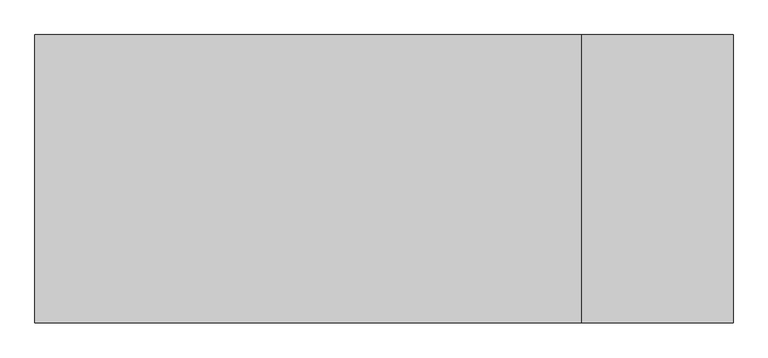
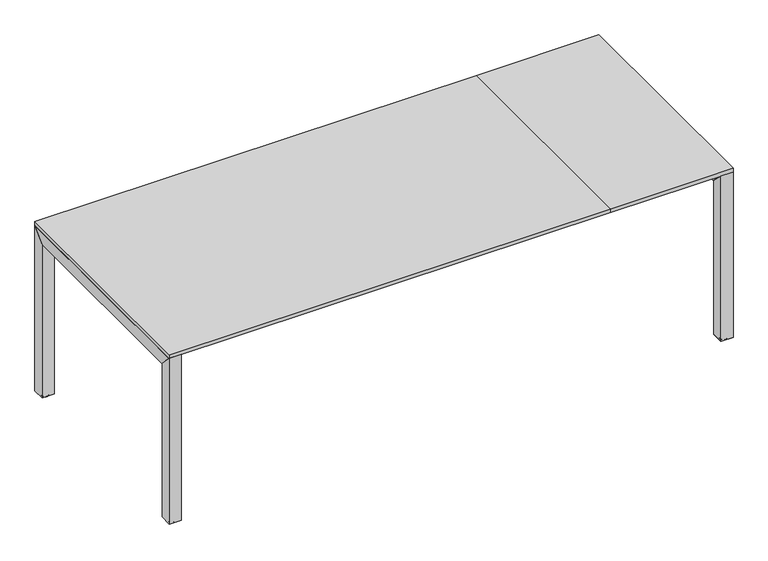
"""IFC4 building model written with IfcOpenShell, lengths in millimetres: furniture geometry."""

from ifc_helpers import new_model, si_unit, point, frame, origin, place, context, project, spatial, polyline, circle_curve, ellipse_curve, trimmed, outline, extrude, faceted_brep, source, transform, mapped, element, save
from ifc_brep_helpers import plane_surface, cylinder_surface, revolved_surface, advanced_brep


def furniture_c9011af7(model_context):
    return source(origin(), model_context, "Body", "SolidModel", [
        advanced_brep(
        [(-1266.0653804, 155.2687122, 4.1000279), (-1297.2550479, 155.2687122, 4.1000279), (-1281.6602141, 155.2687122, 4.1000279), (-1266.0653804, 155.2687122, 1.8535082), (-1297.2550479, 155.2687122, 1.8535082), (-1281.6602141, 155.2687122, 0.0), (-1295.4015396, 155.2687122, 0.0), (-1267.9188886, 155.2687122, 0.0)],
        [
            (0, 1, circle_curve(frame((-1281.6602141, 155.2687122, 4.1000279), z_axis=(0.0, 0.0, 1.0), x_axis=(-1.0, 0.0, 0.0)), 15.5948337)),
            (1, 2),
            (2, 0),
            (1, 0, circle_curve(frame((-1281.6602141, 155.2687122, 4.1000279), z_axis=(0.0, 0.0, 1.0), x_axis=(-1.0, 0.0, 0.0)), 15.5948337)),
            (3, 4, circle_curve(frame((-1281.6602141, 155.2687122, 1.8535082), z_axis=(0.0, 0.0, 1.0), x_axis=(-1.0, 0.0, 0.0)), 15.5948337)),
            (4, 1),
            (0, 3),
            (4, 3, circle_curve(frame((-1281.6602141, 155.2687122, 1.8535082), z_axis=(0.0, 0.0, 1.0), x_axis=(-1.0, 0.0, 0.0)), 15.5948337)),
            (5, 6),
            (6, 7, circle_curve(frame((-1281.6602141, 155.2687122, 0.0), z_axis=(0.0, 0.0, -1.0), x_axis=(-1.0, 0.0, 0.0)), 13.7413255)),
            (7, 5),
            (7, 6, circle_curve(frame((-1281.6602141, 155.2687122, 0.0), z_axis=(0.0, 0.0, -1.0), x_axis=(-1.0, 0.0, 0.0)), 13.7413255)),
            (6, 4, circle_curve(frame((-1295.4015396, 155.2687122, 1.8535082), z_axis=(0.0, 1.0, 0.0), x_axis=(1.0, 0.0, 0.0)), 1.8535082)),
            (3, 7, circle_curve(frame((-1267.9188886, 155.2687122, 1.8535082), z_axis=(0.0, 1.0, 0.0), x_axis=(-1.0, 0.0, 0.0)), 1.8535082)),
        ],
        [
            plane_surface(frame((-1281.6602141, 155.2687122, 4.1000279), z_axis=(0.0, 0.0, 1.0), x_axis=(-1.0, 0.0, 0.0))),
            cylinder_surface(frame((-1281.6602141, 155.2687122, 7.8640452), z_axis=(0.0, 0.0, -1.0), x_axis=(-1.0, 0.0, 0.0)), 15.5948337),
            plane_surface(frame((-1281.6602141, 155.2687122, 0.0), z_axis=(0.0, 0.0, -1.0), x_axis=(-1.0, 0.0, 0.0))),
            revolved_surface(trimmed(ellipse_curve(frame((-1295.4015396, 155.2687122, 1.8535082), z_axis=(0.0, -1.0, 0.0), x_axis=(1.0, 0.0, 0.0)), 1.8535082, 1.8535082), [point((-1297.2550479, 155.2687122, 1.8535082))], [point((-1295.4015396, 155.2687122, 0.0))], True, "CARTESIAN"), (-1281.6602141, 155.2687122, 7.8640452), (0.0, 0.0, -1.0)),
        ],
        [
            (0, [[1, 2, 3]]),
            (0, [[4, -3, -2]]),
            (1, [[5, 6, -1, 7]]),
            (1, [[8, -7, -4, -6]]),
            (2, [[9, 10, 11]]),
            (2, [[-11, 12, -9]]),
            (3, [[-10, 13, -5, 14]]),
            (3, [[-12, -14, -8, -13]]),
        ],
    ),
        advanced_brep(
        [(-1281.6602141, -739.4687122, 4.1000279), (-1297.2550479, -739.4687122, 4.1000279), (-1266.0653804, -739.4687122, 4.1000279), (-1297.2550479, -739.4687122, 1.8535082), (-1266.0653804, -739.4687122, 1.8535082), (-1267.9188886, -739.4687122, 0.0), (-1295.4015396, -739.4687122, 0.0), (-1281.6602141, -739.4687122, 0.0)],
        [
            (0, 1),
            (1, 2, circle_curve(frame((-1281.6602141, -739.4687122, 4.1000279), z_axis=(0.0, 0.0, 1.0), x_axis=(-1.0, 0.0, 0.0)), 15.5948337)),
            (2, 0),
            (2, 1, circle_curve(frame((-1281.6602141, -739.4687122, 4.1000279), z_axis=(0.0, 0.0, 1.0), x_axis=(-1.0, 0.0, 0.0)), 15.5948337)),
            (1, 3),
            (3, 4, circle_curve(frame((-1281.6602141, -739.4687122, 1.8535082), z_axis=(0.0, 0.0, 1.0), x_axis=(-1.0, 0.0, 0.0)), 15.5948337)),
            (4, 2),
            (4, 3, circle_curve(frame((-1281.6602141, -739.4687122, 1.8535082), z_axis=(0.0, 0.0, 1.0), x_axis=(-1.0, 0.0, 0.0)), 15.5948337)),
            (5, 6, circle_curve(frame((-1281.6602141, -739.4687122, 0.0), z_axis=(0.0, 0.0, -1.0), x_axis=(-1.0, 0.0, 0.0)), 13.7413255)),
            (6, 7),
            (7, 5),
            (6, 5, circle_curve(frame((-1281.6602141, -739.4687122, 0.0), z_axis=(0.0, 0.0, -1.0), x_axis=(-1.0, 0.0, 0.0)), 13.7413255)),
            (3, 6, circle_curve(frame((-1295.4015396, -739.4687122, 1.8535082), z_axis=(0.0, -1.0, 0.0), x_axis=(1.0, 0.0, 0.0)), 1.8535082)),
            (5, 4, circle_curve(frame((-1267.9188886, -739.4687122, 1.8535082), z_axis=(0.0, -1.0, 0.0), x_axis=(-1.0, 0.0, 0.0)), 1.8535082)),
        ],
        [
            plane_surface(frame((-1281.6602141, -739.4687122, 4.1000279), z_axis=(0.0, 0.0, 1.0), x_axis=(-1.0, 0.0, 0.0))),
            cylinder_surface(frame((-1281.6602141, -739.4687122, 7.8640452), z_axis=(0.0, 0.0, 1.0), x_axis=(-1.0, 0.0, 0.0)), 15.5948337),
            plane_surface(frame((-1281.6602141, -739.4687122, 0.0), z_axis=(0.0, 0.0, -1.0), x_axis=(-1.0, 0.0, 0.0))),
            revolved_surface(trimmed(ellipse_curve(frame((-1295.4015396, -739.4687122, 1.8535082), z_axis=(0.0, 1.0, 0.0), x_axis=(1.0, 0.0, 0.0)), 1.8535082, 1.8535082), [point((-1295.4015396, -739.4687122, 0.0))], [point((-1297.2550479, -739.4687122, 1.8535082))], True, "CARTESIAN"), (-1281.6602141, -739.4687122, 7.8640452), (0.0, 0.0, 1.0)),
        ],
        [
            (0, [[1, 2, 3]]),
            (0, [[-3, 4, -1]]),
            (1, [[-2, 5, 6, 7]]),
            (1, [[-4, -7, 8, -5]]),
            (2, [[9, 10, 11]]),
            (2, [[12, -11, -10]]),
            (3, [[-6, 13, -9, 14]]),
            (3, [[-8, -14, -12, -13]]),
        ],
    ),
        extrude(outline(polyline([(128.55748, 669.9826515), (-713.0945274, 669.9826515), (-764.8583806, 721.746543), (180.3213715, 721.746543), (128.55748, 669.9826515)])), frame((-1306.0652882, 0.0, 0.0), z_axis=(1.0, 0.0, 0.0), x_axis=(0.0, 1.0, 0.0)), (0.0, 0.0, 1.0), 49.3807068),
        extrude(outline(polyline([(131.71096, 671.3847462), (182.88, 722.5537482), (182.88, 7.8640452), (131.71096, 7.8640452), (131.71096, 671.3847462)])), frame((-1306.0652882, 0.0, 0.0), z_axis=(1.0, 0.0, 0.0), x_axis=(0.0, 1.0, 0.0)), (0.0, 0.0, 1.0), 49.3807068),
        extrude(outline(polyline([(-715.91096, 671.3847462), (-715.91096, 7.8640452), (-767.08, 7.8640452), (-767.08, 722.5537482), (-715.91096, 671.3847462)])), frame((-1306.0652882, 0.0, 0.0), z_axis=(1.0, 0.0, 0.0), x_axis=(0.0, 1.0, 0.0)), (0.0, 0.0, 1.0), 49.3807068),
        advanced_brep(
        [(970.7696378, 155.2687122, 4.1000279), (986.3644715, 155.2687122, 4.1000279), (955.1748041, 155.2687122, 4.1000279), (986.3644715, 155.2687122, 1.8535082), (955.1748041, 155.2687122, 1.8535082), (957.0283123, 155.2687122, 0.0), (984.5109633, 155.2687122, 0.0), (970.7696378, 155.2687122, 0.0)],
        [
            (0, 1),
            (1, 2, circle_curve(frame((970.7696378, 155.2687122, 4.1000279), z_axis=(0.0, 0.0, 1.0), x_axis=(1.0, 0.0, 0.0)), 15.5948337)),
            (2, 0),
            (2, 1, circle_curve(frame((970.7696378, 155.2687122, 4.1000279), z_axis=(0.0, 0.0, 1.0), x_axis=(1.0, 0.0, 0.0)), 15.5948337)),
            (1, 3),
            (3, 4, circle_curve(frame((970.7696378, 155.2687122, 1.8535082), z_axis=(0.0, 0.0, 1.0), x_axis=(1.0, 0.0, 0.0)), 15.5948337)),
            (4, 2),
            (4, 3, circle_curve(frame((970.7696378, 155.2687122, 1.8535082), z_axis=(0.0, 0.0, 1.0), x_axis=(1.0, 0.0, 0.0)), 15.5948337)),
            (5, 6, circle_curve(frame((970.7696378, 155.2687122, 0.0), z_axis=(0.0, 0.0, -1.0), x_axis=(1.0, 0.0, 0.0)), 13.7413255)),
            (6, 7),
            (7, 5),
            (6, 5, circle_curve(frame((970.7696378, 155.2687122, 0.0), z_axis=(0.0, 0.0, -1.0), x_axis=(1.0, 0.0, 0.0)), 13.7413255)),
            (3, 6, circle_curve(frame((984.5109633, 155.2687122, 1.8535082), z_axis=(0.0, 1.0, 0.0), x_axis=(-1.0, 0.0, 0.0)), 1.8535082)),
            (5, 4, circle_curve(frame((957.0283123, 155.2687122, 1.8535082), z_axis=(0.0, 1.0, 0.0), x_axis=(1.0, 0.0, 0.0)), 1.8535082)),
        ],
        [
            plane_surface(frame((970.7696378, 155.2687122, 4.1000279), z_axis=(0.0, 0.0, 1.0), x_axis=(1.0, 0.0, 0.0))),
            cylinder_surface(frame((970.7696378, 155.2687122, 7.8640452), z_axis=(0.0, 0.0, 1.0), x_axis=(1.0, 0.0, 0.0)), 15.5948337),
            plane_surface(frame((970.7696378, 155.2687122, 0.0), z_axis=(0.0, 0.0, -1.0), x_axis=(1.0, 0.0, 0.0))),
            revolved_surface(trimmed(ellipse_curve(frame((984.5109633, 155.2687122, 1.8535082), z_axis=(0.0, -1.0, 0.0), x_axis=(-1.0, 0.0, 0.0)), 1.8535082, 1.8535082), [point((984.5109633, 155.2687122, 0.0))], [point((986.3644715, 155.2687122, 1.8535082))], True, "CARTESIAN"), (970.7696378, 155.2687122, 7.8640452), (0.0, 0.0, 1.0)),
        ],
        [
            (0, [[1, 2, 3]]),
            (0, [[-3, 4, -1]]),
            (1, [[-2, 5, 6, 7]]),
            (1, [[-4, -7, 8, -5]]),
            (2, [[9, 10, 11]]),
            (2, [[12, -11, -10]]),
            (3, [[-6, 13, -9, 14]]),
            (3, [[-8, -14, -12, -13]]),
        ],
    ),
        faceted_brep([(995.1747118, -715.91096, 7.8640452), (945.7940051, -715.91096, 7.8640452), (945.7940051, -767.08, 7.8640452), (995.1747118, -767.08, 7.8640452), (991.5034244, -719.5822107, 3.9258528), (991.5034244, -761.2458018, 3.9258528), (949.8399796, -761.2458018, 3.9258528), (949.8399796, -719.5822107, 3.9258528)], [[[0, 1, 2, 3]], [[4, 5, 6, 7]], [[4, 7, 1, 0]], [[7, 6, 2, 1]], [[6, 5, 3, 2]], [[5, 4, 0, 3]]]),
        advanced_brep(
        [(955.1748041, -739.4687122, 4.1000279), (986.3644715, -739.4687122, 4.1000279), (970.7696378, -739.4687122, 4.1000279), (955.1748041, -739.4687122, 1.8535082), (986.3644715, -739.4687122, 1.8535082), (970.7696378, -739.4687122, 0.0), (984.5109633, -739.4687122, 0.0), (957.0283123, -739.4687122, 0.0)],
        [
            (0, 1, circle_curve(frame((970.7696378, -739.4687122, 4.1000279), z_axis=(0.0, 0.0, 1.0), x_axis=(1.0, 0.0, 0.0)), 15.5948337)),
            (1, 2),
            (2, 0),
            (1, 0, circle_curve(frame((970.7696378, -739.4687122, 4.1000279), z_axis=(0.0, 0.0, 1.0), x_axis=(1.0, 0.0, 0.0)), 15.5948337)),
            (3, 4, circle_curve(frame((970.7696378, -739.4687122, 1.8535082), z_axis=(0.0, 0.0, 1.0), x_axis=(1.0, 0.0, 0.0)), 15.5948337)),
            (4, 1),
            (0, 3),
            (4, 3, circle_curve(frame((970.7696378, -739.4687122, 1.8535082), z_axis=(0.0, 0.0, 1.0), x_axis=(1.0, 0.0, 0.0)), 15.5948337)),
            (5, 6),
            (6, 7, circle_curve(frame((970.7696378, -739.4687122, 0.0), z_axis=(0.0, 0.0, -1.0), x_axis=(1.0, 0.0, 0.0)), 13.7413255)),
            (7, 5),
            (7, 6, circle_curve(frame((970.7696378, -739.4687122, 0.0), z_axis=(0.0, 0.0, -1.0), x_axis=(1.0, 0.0, 0.0)), 13.7413255)),
            (6, 4, circle_curve(frame((984.5109633, -739.4687122, 1.8535082), z_axis=(0.0, -1.0, 0.0), x_axis=(-1.0, 0.0, 0.0)), 1.8535082)),
            (3, 7, circle_curve(frame((957.0283123, -739.4687122, 1.8535082), z_axis=(0.0, -1.0, 0.0), x_axis=(1.0, 0.0, 0.0)), 1.8535082)),
        ],
        [
            plane_surface(frame((970.7696378, -739.4687122, 4.1000279), z_axis=(0.0, 0.0, 1.0), x_axis=(1.0, 0.0, 0.0))),
            cylinder_surface(frame((970.7696378, -739.4687122, 7.8640452), z_axis=(0.0, 0.0, -1.0), x_axis=(1.0, 0.0, 0.0)), 15.5948337),
            plane_surface(frame((970.7696378, -739.4687122, 0.0), z_axis=(0.0, 0.0, -1.0), x_axis=(1.0, 0.0, 0.0))),
            revolved_surface(trimmed(ellipse_curve(frame((984.5109633, -739.4687122, 1.8535082), z_axis=(0.0, 1.0, 0.0), x_axis=(-1.0, 0.0, 0.0)), 1.8535082, 1.8535082), [point((986.3644715, -739.4687122, 1.8535082))], [point((984.5109633, -739.4687122, 0.0))], True, "CARTESIAN"), (970.7696378, -739.4687122, 7.8640452), (0.0, 0.0, -1.0)),
        ],
        [
            (0, [[1, 2, 3]]),
            (0, [[4, -3, -2]]),
            (1, [[5, 6, -1, 7]]),
            (1, [[8, -7, -4, -6]]),
            (2, [[9, 10, 11]]),
            (2, [[-11, 12, -9]]),
            (3, [[-10, 13, -5, 14]]),
            (3, [[-12, -14, -8, -13]]),
        ],
    ),
        extrude(outline(polyline([(128.55748, 669.9826515), (-713.0945274, 669.9826515), (-764.8583806, 721.746543), (180.3213715, 721.746543), (128.55748, 669.9826515)])), frame((945.7940051, 0.0, 0.0), z_axis=(1.0, 0.0, 0.0), x_axis=(0.0, 1.0, 0.0)), (0.0, 0.0, 1.0), 49.3807068),
        extrude(outline(polyline([(-715.91096, 671.3847462), (-715.91096, 7.8640452), (-767.08, 7.8640452), (-767.08, 722.5537482), (-715.91096, 671.3847462)])), frame((945.7940051, 0.0, 0.0), z_axis=(1.0, 0.0, 0.0), x_axis=(0.0, 1.0, 0.0)), (0.0, 0.0, 1.0), 49.3807068),
        extrude(outline(polyline([(131.71096, 671.3847462), (182.88, 722.5537482), (182.88, 7.8640452), (131.71096, 7.8640452), (131.71096, 671.3847462)])), frame((945.7940051, 0.0, 0.0), z_axis=(1.0, 0.0, 0.0), x_axis=(0.0, 1.0, 0.0)), (0.0, 0.0, 1.0), 49.3807068),
        extrude(outline(polyline([(494.7947118, 182.88), (494.7947118, -767.08), (-1306.0652882, -767.08), (-1306.0652882, 182.88), (494.7947118, 182.88)])), frame((0.0, 0.0, 722.5537482), z_axis=(0.0, 0.0, 1.0), x_axis=(1.0, 0.0, 0.0)), (0.0, 0.0, 1.0), 16.5862518),
        extrude(outline(polyline([(494.7947118, 182.88), (995.1747118, 182.88), (995.1747118, -767.08), (494.7947118, -767.08), (494.7947118, 182.88)])), frame((0.0, 0.0, 722.5537482), z_axis=(0.0, 0.0, 1.0), x_axis=(1.0, 0.0, 0.0)), (0.0, 0.0, 1.0), 16.5862518),
    ])


if __name__ == "__main__":
    model = new_model("IFC4")
    model_context = context("Model", 3, world=origin())
    ifc_project = project(units=[si_unit("LENGTHUNIT", "METRE", prefix="MILLI")], contexts=[model_context])
    site = spatial("IfcSite", under=ifc_project)
    building = spatial("IfcBuilding", under=site)
    placement = place(None, origin())
    furniture_shape = furniture_c9011af7(model_context)
    element("IfcFurniture", 1, at=placement, inside=building, context=model_context, shape_type="MappedRepresentation", body=[
        mapped(furniture_shape, transform((0.0, 0.0, 0.0), x_axis=(1.0, 0.0, 0.0), y_axis=(0.0, 1.0, 0.0), z_axis=(0.0, 0.0, 1.0))),
    ])
    save(model, "model.ifc")
